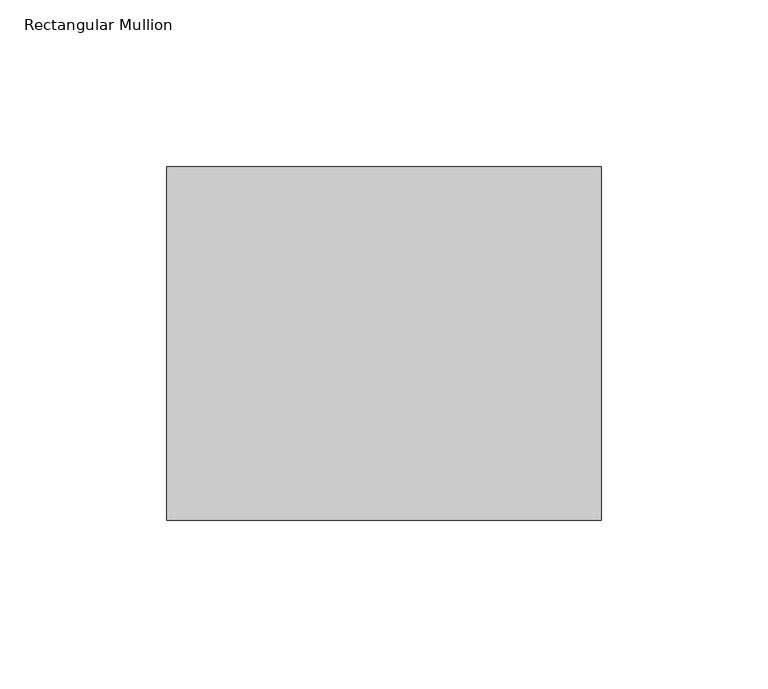
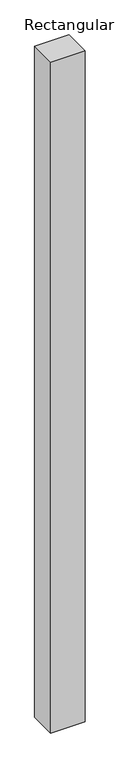
"""IFC4 building model written with IfcOpenShell, lengths in millimetres: member geometry, Rectangular Mullion."""

from ifc_helpers import new_model, si_unit, frame, origin, place, context, project, spatial, polyline, outline, extrude, source, transform, mapped, element, save


def rectangular_mullion_b307bf64(model_context):
    return source(origin(), model_context, "Body", "SweptSolid", [
        extrude(outline(polyline([(-130.0, 52.8779994), (0.0, 52.8779994), (0.0, -52.8779994), (-130.0, -52.8779994), (-130.0, 52.8779994)])), frame((0.0, 0.0, -2700.0), z_axis=(0.0, 0.0, 1.0), x_axis=(1.0, 0.0, 0.0)), (0.0, 0.0, 1.0), 2700.0),
    ])


if __name__ == "__main__":
    model = new_model("IFC4")
    model_context = context("Model", 3, world=origin())
    ifc_project = project(units=[si_unit("LENGTHUNIT", "METRE", prefix="MILLI")], contexts=[model_context])
    site = spatial("IfcSite", under=ifc_project)
    building = spatial("IfcBuilding", under=site)
    placement = place(None, origin())
    rectangular_mullion_shape = rectangular_mullion_b307bf64(model_context)
    element("IfcMember", 1, ObjectType="Rectangular Mullion", at=placement, inside=building, context=model_context, shape_type="MappedRepresentation", body=[
        mapped(rectangular_mullion_shape, transform((0.0, 0.0, 0.0), x_axis=(1.0, 0.0, 0.0), y_axis=(0.0, 1.0, 0.0), z_axis=(0.0, 0.0, 1.0))),
    ])
    save(model, "model.ifc")
